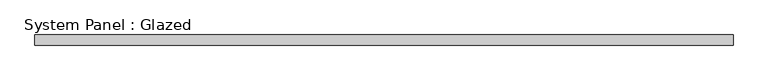
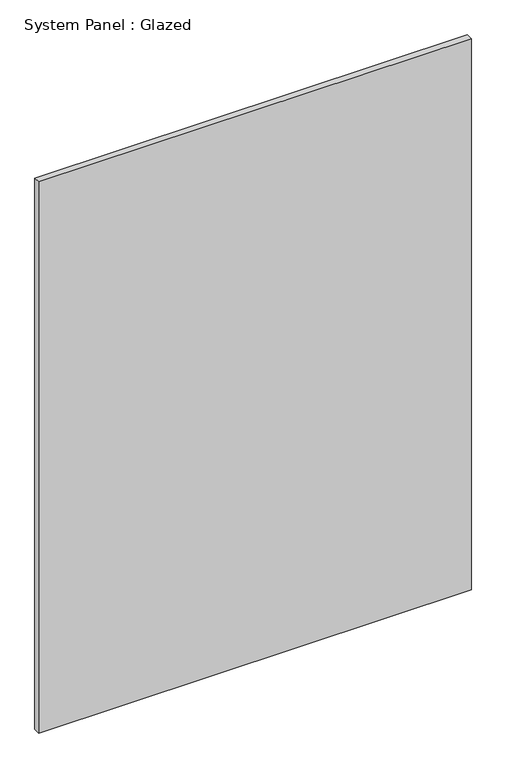
"""IFC4 building model written with IfcOpenShell, lengths in millimetres: plate geometry, System Panel : Glazed."""

from ifc_helpers import new_model, si_unit, origin, origin_with_axes, place, context, project, spatial, polyline, outline, extrude, source, transform, mapped, element, save


def system_panel_glazed_552b27b2(model_context):
    return source(origin(), model_context, "Body", "SweptSolid", [
        extrude(outline(polyline([(826.5, 24.5), (-826.5, 24.5), (-826.5, 49.5), (826.5, 49.5), (826.5, 24.5)])), origin_with_axes(), (0.0, 0.0, 1.0), 2225.2005243),
    ])


if __name__ == "__main__":
    model = new_model("IFC4")
    model_context = context("Model", 3, world=origin())
    ifc_project = project(units=[si_unit("LENGTHUNIT", "METRE", prefix="MILLI")], contexts=[model_context])
    site = spatial("IfcSite", under=ifc_project)
    building = spatial("IfcBuilding", under=site)
    placement = place(None, origin())
    system_panel_glazed_shape = system_panel_glazed_552b27b2(model_context)
    element("IfcPlate", 1, ObjectType="System Panel : Glazed", at=placement, inside=building, context=model_context, shape_type="MappedRepresentation", body=[
        mapped(system_panel_glazed_shape, transform((0.0, 0.0, 0.0), x_axis=(1.0, 0.0, 0.0), y_axis=(0.0, 1.0, 0.0), z_axis=(0.0, 0.0, 1.0))),
    ])
    save(model, "model.ifc")
